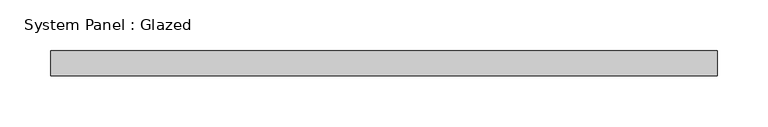
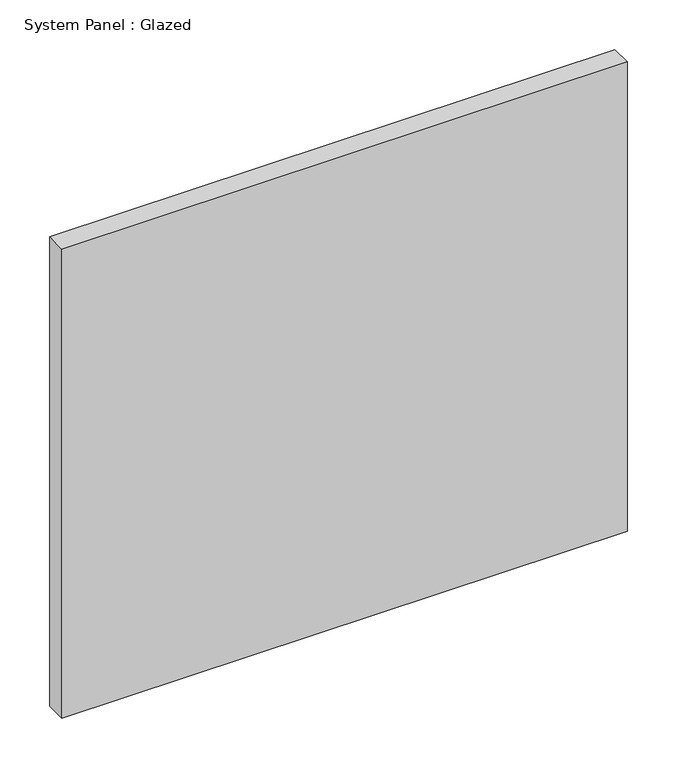
"""IFC4 building model written with IfcOpenShell, lengths in millimetres: plate geometry, System Panel : Glazed."""

from ifc_helpers import new_model, si_unit, origin, origin_with_axes, place, context, project, spatial, polyline, outline, extrude, source, transform, mapped, element, save


def system_panel_glazed_4acc3b96(model_context):
    return source(origin(), model_context, "Body", "SweptSolid", [
        extrude(outline(polyline([(329.5, -49.5), (-329.5, -49.5), (-329.5, -24.5), (329.5, -24.5), (329.5, -49.5)])), origin_with_axes(), (0.0, 0.0, 1.0), 578.3333333),
    ])


if __name__ == "__main__":
    model = new_model("IFC4")
    model_context = context("Model", 3, world=origin())
    ifc_project = project(units=[si_unit("LENGTHUNIT", "METRE", prefix="MILLI")], contexts=[model_context])
    site = spatial("IfcSite", under=ifc_project)
    building = spatial("IfcBuilding", under=site)
    placement = place(None, origin())
    system_panel_glazed_shape = system_panel_glazed_4acc3b96(model_context)
    element("IfcPlate", 1, ObjectType="System Panel : Glazed", at=placement, inside=building, context=model_context, shape_type="MappedRepresentation", body=[
        mapped(system_panel_glazed_shape, transform((0.0, 0.0, 0.0), x_axis=(1.0, 0.0, 0.0), y_axis=(0.0, 1.0, 0.0), z_axis=(0.0, 0.0, 1.0))),
    ])
    save(model, "model.ifc")
